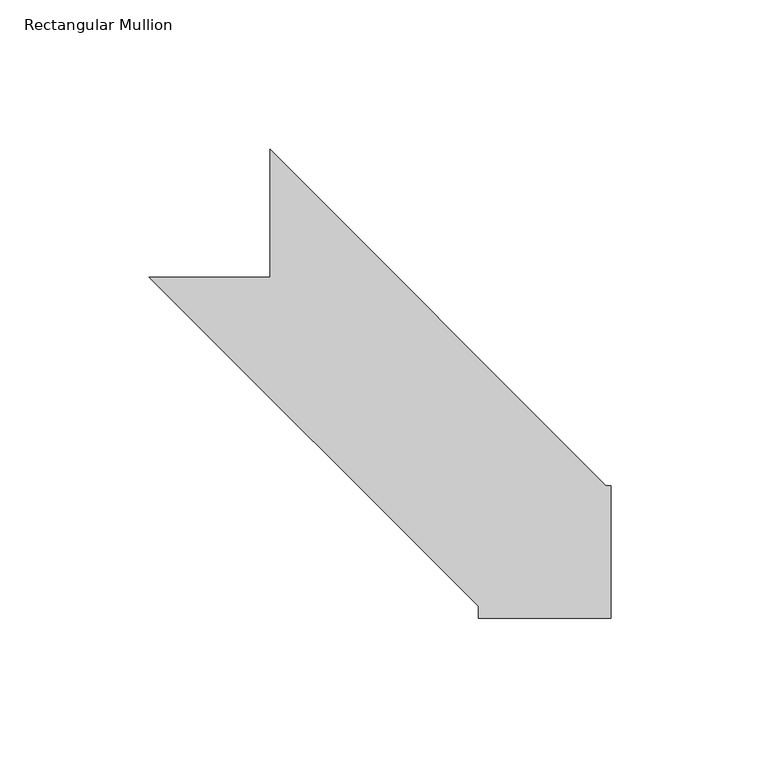
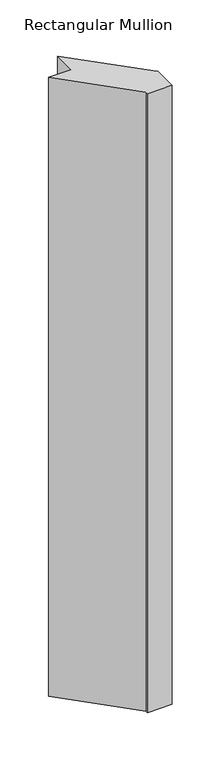
"""IFC4 building model written with IfcOpenShell, lengths in millimetres: member geometry, Rectangular Mullion."""

from ifc_helpers import new_model, si_unit, frame, origin, place, context, project, spatial, polyline, outline, extrude, source, transform, mapped, element, save


def rectangular_mullion_7a6ec2eb(model_context):
    return source(origin(), model_context, "Body", "SweptSolid", [
        extrude(outline(polyline([(-57.15, 12.7), (-57.15, 16.6346177), (-167.5153823, 127.0), (-127.0099007, 127.0), (-127.0099007, 169.8618522), (-14.2980485, 57.15), (-12.7, 57.15), (-12.7, 12.7), (-57.15, 12.7)])), frame((0.0, 0.0, -1168.4), z_axis=(0.0, 0.0, 1.0), x_axis=(1.0, 0.0, 0.0)), (0.0, 0.0, 1.0), 1168.4),
    ])


if __name__ == "__main__":
    model = new_model("IFC4")
    model_context = context("Model", 3, world=origin())
    ifc_project = project(units=[si_unit("LENGTHUNIT", "METRE", prefix="MILLI")], contexts=[model_context])
    site = spatial("IfcSite", under=ifc_project)
    building = spatial("IfcBuilding", under=site)
    placement = place(None, origin())
    rectangular_mullion_shape = rectangular_mullion_7a6ec2eb(model_context)
    element("IfcMember", 1, ObjectType="Rectangular Mullion", at=placement, inside=building, context=model_context, shape_type="MappedRepresentation", body=[
        mapped(rectangular_mullion_shape, transform((0.0, 0.0, 0.0), x_axis=(1.0, 0.0, 0.0), y_axis=(0.0, 1.0, 0.0), z_axis=(0.0, 0.0, 1.0))),
    ])
    save(model, "model.ifc")
